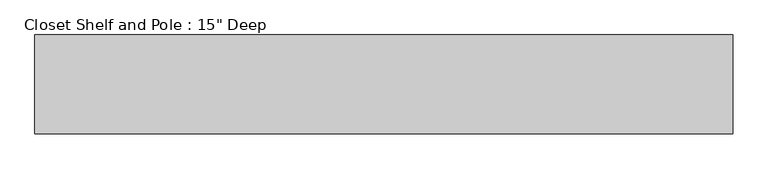
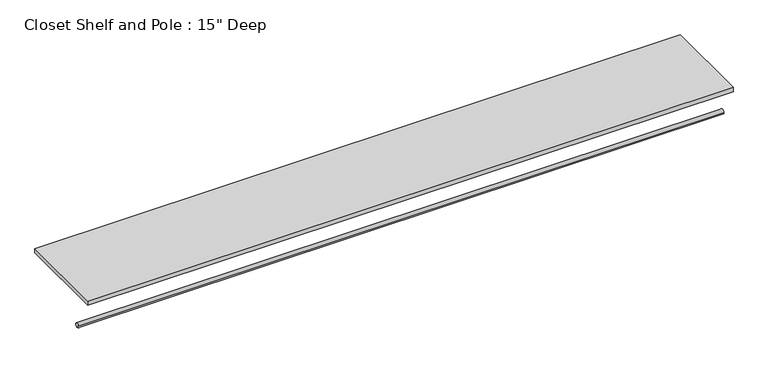
"""IFC4 building model written with IfcOpenShell, lengths in millimetres: proxy geometry."""

import ifcopenshell
import ifcopenshell.guid

model = None  # the IFC model being written
_history = None  # IfcOwnerHistory: only IFC2X3 demands one
_inside = {}  # id of a spatial element -> (the spatial element, [elements in it])
_under = {}  # id of a project, library or spatial element -> (it, [spatial elements below it])
_declared = {}  # id of a project -> (the project, [libraries it declares])
_typed = {}  # id of a type object -> (the type object, [elements of that type])
_made_of = {}  # id of a material, layer set ... -> (it, [elements and type objects made of it])


def new_model(schema):
    """Start an empty IFC model of exactly this schema.

    Asked for "IFC4X3", IfcOpenShell would pick the latest addendum, in which some entities
    have other attributes; the version numbers below select the first issue.
    IFC2X3 requires an IfcOwnerHistory on every rooted entity: one is made here for all.
    """
    global model, _history
    if schema == "IFC4X3":
        model = ifcopenshell.file(schema_version=(4, 3, 0, 0))
    else:
        model = ifcopenshell.file(schema=schema)
    _inside.clear()
    _under.clear()
    _declared.clear()
    _typed.clear()
    _made_of.clear()
    _history = None
    if model.schema == "IFC2X3":
        org = make("IfcOrganization", Name="unknown")
        user = make(
            "IfcPersonAndOrganization",
            ThePerson=make("IfcPerson", FamilyName="unknown"),
            TheOrganization=org,
        )
        app = make(
            "IfcApplication",
            ApplicationDeveloper=org,
            Version="unknown",
            ApplicationFullName="unknown",
            ApplicationIdentifier="unknown",
        )
        _history = make(
            "IfcOwnerHistory",
            OwningUser=user,
            OwningApplication=app,
            ChangeAction="ADDED",
            CreationDate=0,
        )
    return model


def make(cls, **values):
    """One entity of the class cls with the attributes given. An attribute that is None is left unset."""
    return model.create_entity(
        cls, **{name: value for name, value in values.items() if value is not None}
    )


def rooted(cls, **values):
    """An entity with a GlobalId (a new one), such as an element, a storey or a relation."""
    return make(cls, GlobalId=ifcopenshell.guid.new(), OwnerHistory=_history, **values)


def si_unit(unit_type, name, prefix=None):
    """IfcSIUnit, for example si_unit("LENGTHUNIT", "METRE", prefix="MILLI")."""
    return make("IfcSIUnit", UnitType=unit_type, Prefix=prefix, Name=name)


def assignment(units):
    """IfcUnitAssignment: the units of a project."""
    return None if units is None else make("IfcUnitAssignment", Units=units)


def point(xyz):
    """IfcCartesianPoint."""
    return None if xyz is None else make("IfcCartesianPoint", Coordinates=xyz)


def direction(xyz):
    """IfcDirection."""
    return None if xyz is None else make("IfcDirection", DirectionRatios=xyz)


def frame(location, z_axis=None, x_axis=None):
    """IfcAxis2Placement3D, a coordinate frame: its origin and axes. An axis left out is left unset."""
    return make(
        "IfcAxis2Placement3D",
        Location=point(location),
        Axis=direction(z_axis),
        RefDirection=direction(x_axis),
    )


def frame_2d(location, x_axis=None):
    """IfcAxis2Placement2D, a coordinate frame in the plane: its origin and x axis."""
    return make(
        "IfcAxis2Placement2D", Location=point(location), RefDirection=direction(x_axis)
    )


def origin():
    """The frame at (0, 0, 0) with its axes left unset."""
    return frame((0.0, 0.0, 0.0))


def place(relative_to, where):
    """IfcLocalPlacement: puts the frame where relative to a parent placement (None: the world)."""
    return make(
        "IfcLocalPlacement", PlacementRelTo=relative_to, RelativePlacement=where
    )


def context(
    kind, dimensions, precision=None, world=None, true_north=None, identifier=None
):
    """IfcGeometricRepresentationContext, for example the 3D "Model" context."""
    return make(
        "IfcGeometricRepresentationContext",
        ContextIdentifier=identifier,
        ContextType=kind,
        CoordinateSpaceDimension=dimensions,
        Precision=precision,
        WorldCoordinateSystem=world,
        TrueNorth=true_north,
    )


def project(units=None, contexts=None):
    """IfcProject with its units and contexts."""
    return rooted(
        "IfcProject",
        Name="project",
        RepresentationContexts=contexts,
        UnitsInContext=assignment(units),
    )


def spatial(cls, under=None, at=None, **own):
    """A site, building, storey or space (cls), placed at a placement, below another one or the project."""
    s = rooted(cls, ObjectPlacement=at, **own)
    if under is not None:
        _under.setdefault(under.id(), (under, []))[1].append(s)
    return s


def polyline(points):
    """IfcPolyline through the points."""
    return make("IfcPolyline", Points=[point(p) for p in points])


def circle_curve(where, radius):
    """IfcCircle in the frame where."""
    return make("IfcCircle", Position=where, Radius=radius)


def trimmed(basis, trim1, trim2, sense, master):
    """IfcTrimmedCurve: the piece of a basis curve between two trims."""
    return make(
        "IfcTrimmedCurve",
        BasisCurve=basis,
        Trim1=trim1,
        Trim2=trim2,
        SenseAgreement=sense,
        MasterRepresentation=master,
    )


def segment(curve, same_sense, transition):
    """IfcCompositeCurveSegment."""
    return make(
        "IfcCompositeCurveSegment",
        Transition=transition,
        SameSense=same_sense,
        ParentCurve=curve,
    )


def composite_curve(segments, self_intersect=None):
    """IfcCompositeCurve: segments joined end to end."""
    return make("IfcCompositeCurve", Segments=segments, SelfIntersect=self_intersect)


def outline(outer, holes=None, kind="AREA"):
    """IfcArbitraryClosedProfileDef: a profile drawn as a closed curve; with holes, ...WithVoids."""
    if holes is None:
        return make("IfcArbitraryClosedProfileDef", ProfileType=kind, OuterCurve=outer)
    return make(
        "IfcArbitraryProfileDefWithVoids",
        ProfileType=kind,
        OuterCurve=outer,
        InnerCurves=holes,
    )


def extrude(swept, where, along, depth):
    """IfcExtrudedAreaSolid: the profile swept, set in the frame where, extruded along a direction by depth."""
    return make(
        "IfcExtrudedAreaSolid",
        SweptArea=swept,
        Position=where,
        ExtrudedDirection=direction(along),
        Depth=depth,
    )


def shape(context_of_items, identifier, shape_type, items):
    """IfcShapeRepresentation: the items that make up one representation, for example the "Body"."""
    return make(
        "IfcShapeRepresentation",
        ContextOfItems=context_of_items,
        RepresentationIdentifier=identifier,
        RepresentationType=shape_type,
        Items=items,
    )


def source(mapping_origin, context_of_items, identifier, shape_type, items):
    """IfcRepresentationMap: a shape defined once, which mapped items show again and again."""
    return make(
        "IfcRepresentationMap",
        MappingOrigin=mapping_origin,
        MappedRepresentation=shape(context_of_items, identifier, shape_type, items),
    )


def transform(
    local_origin,
    x_axis=None,
    y_axis=None,
    z_axis=None,
    scale=None,
    scale2=None,
    scale3=None,
    uniform=True,
):
    """IfcCartesianTransformationOperator3D, or its non-uniform kind. x_axis, y_axis, z_axis: its Axis1, 2, 3."""
    if uniform:
        return make(
            "IfcCartesianTransformationOperator3D",
            Axis1=direction(x_axis),
            Axis2=direction(y_axis),
            LocalOrigin=point(local_origin),
            Scale=scale,
            Axis3=direction(z_axis),
        )
    return make(
        "IfcCartesianTransformationOperator3DnonUniform",
        Axis1=direction(x_axis),
        Axis2=direction(y_axis),
        LocalOrigin=point(local_origin),
        Scale=scale,
        Axis3=direction(z_axis),
        Scale2=scale2,
        Scale3=scale3,
    )


def mapped(mapping_source, mapping_target):
    """IfcMappedItem: shows the shape of a source again, moved by a transform."""
    return make(
        "IfcMappedItem", MappingSource=mapping_source, MappingTarget=mapping_target
    )


def made_of(thing, what):
    """Note that an element or type object is made of a material, layer set ...; save() writes the relation."""
    if what is not None:
        _made_of.setdefault(what.id(), (what, []))[1].append(thing)
    return thing


def element(
    cls,
    number,
    at=None,
    inside=None,
    cuts=None,
    type_object=None,
    material=None,
    context=None,
    identifier="Body",
    shape_type=None,
    held_by="IfcProductDefinitionShape",
    body=None,
    shapes=None,
    **own,
):
    """One element of the class cls, such as IfcWall. Its Tag is "e" and its number.

    at: its placement. inside: the storey or other place that contains it. cuts: it is an
    opening in that element (IfcRelVoidsElement). A single representation is given by context,
    identifier, shape_type and body (its items); several are given by shapes. held_by: the class
    of the entity that holds the representations. save() writes the other relations.
    """
    e = rooted(cls, Tag="e%d" % number, ObjectPlacement=at, **own)
    if body is not None:
        shapes = [shape(context, identifier, shape_type, body)]
    if shapes is not None:
        e.Representation = make(held_by, Representations=shapes)
    if inside is not None:
        _inside.setdefault(inside.id(), (inside, []))[1].append(e)
    if cuts is not None:
        rooted(
            "IfcRelVoidsElement", RelatingBuildingElement=cuts, RelatedOpeningElement=e
        )
    if type_object is not None:
        _typed.setdefault(type_object.id(), (type_object, []))[1].append(e)
    return made_of(e, material)


def aggregate(whole, parts):
    """IfcRelAggregates: a whole, such as a stair, and the parts it consists of."""
    return rooted("IfcRelAggregates", RelatingObject=whole, RelatedObjects=parts)


def save(model, path):
    """Write the relations noted so far, then the file.

    IfcRelAggregates (storeys below a building ...), IfcRelContainedInSpatialStructure (elements
    in a storey), IfcRelDefinesByType, IfcRelAssociatesMaterial and IfcRelDeclares: one each for
    every whole, place, type object, material and project.
    """
    for whole, parts in _under.values():
        aggregate(whole, parts)
    for where, things in _inside.values():
        rooted(
            "IfcRelContainedInSpatialStructure",
            RelatedElements=things,
            RelatingStructure=where,
        )
    for kind, things in _typed.values():
        rooted("IfcRelDefinesByType", RelatedObjects=things, RelatingType=kind)
    for what, things in _made_of.values():
        rooted("IfcRelAssociatesMaterial", RelatedObjects=things, RelatingMaterial=what)
    for by, libraries in _declared.values():
        rooted("IfcRelDeclares", RelatingContext=by, RelatedDefinitions=libraries)
    model.write(path)


def proxy_65b03808(model_context):
    return source(origin(), model_context, "Body", "SweptSolid", [
        extrude(outline(composite_curve([segment(trimmed(circle_curve(frame_2d((-304.8, 1676.4)), 9.525), [point((-314.325, 1676.4))], [point((-295.275, 1676.4))], False, "CARTESIAN"), True, "CONTINUOUS"), segment(trimmed(circle_curve(frame_2d((-304.8, 1676.4)), 9.525), [point((-295.275, 1676.4))], [point((-314.325, 1676.4))], False, "CARTESIAN"), True, "CONTINUOUS")], self_intersect=False)), frame((0.0, 0.0, 0.0), z_axis=(1.0, 0.0, 0.0), x_axis=(0.0, 1.0, 0.0)), (0.0, 0.0, 1.0), 2689.9516584),
        extrude(outline(polyline([(2689.9516584, 0.0), (2689.9516584, -381.0), (0.0, -381.0), (0.0, 0.0), (2689.9516584, 0.0)])), frame((0.0, 0.0, 1809.75), z_axis=(0.0, 0.0, 1.0), x_axis=(1.0, 0.0, 0.0)), (0.0, 0.0, 1.0), 19.05),
    ])


if __name__ == "__main__":
    model = new_model("IFC4")
    model_context = context("Model", 3, world=origin())
    ifc_project = project(units=[si_unit("LENGTHUNIT", "METRE", prefix="MILLI")], contexts=[model_context])
    site = spatial("IfcSite", under=ifc_project)
    building = spatial("IfcBuilding", under=site)
    placement = place(None, origin())
    proxy_shape = proxy_65b03808(model_context)
    element("IfcBuildingElementProxy", 1, Name="Closet Shelf and Pole : 15\" Deep", ObjectType="Closet Shelf and Pole : 15\" Deep", at=placement, inside=building, context=model_context, shape_type="MappedRepresentation", body=[
        mapped(proxy_shape, transform((0.0, 0.0, 0.0), x_axis=(1.0, 0.0, 0.0), y_axis=(0.0, 1.0, 0.0), z_axis=(0.0, 0.0, 1.0))),
    ])
    save(model, "model.ifc")
